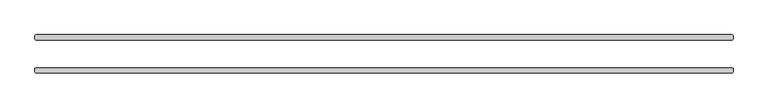
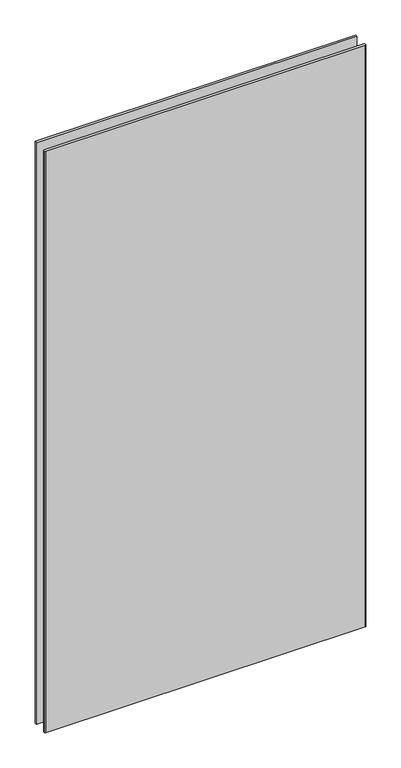
"""IFC4 building model written with IfcOpenShell, lengths in millimetres: plate geometry."""

from ifc_helpers import new_model, si_unit, origin, origin_with_axes, place, context, project, spatial, polyline, outline, extrude, source, transform, mapped, element, save


def plate_dfabde0b(model_context):
    return source(origin(), model_context, "Body", "SweptSolid", [
        extrude(outline(polyline([(632.61875, 25.4), (-632.61875, 25.4), (-634.20625, 26.9875), (-634.20625, 33.3375), (-632.61875, 34.925), (632.61875, 34.925), (634.20625, 33.3375), (634.20625, 26.9875), (632.61875, 25.4)])), origin_with_axes(), (0.0, 0.0, 1.0), 2428.7789267),
        extrude(outline(polyline([(632.61875, -34.925), (-632.61875, -34.925), (-634.20625, -33.3375), (-634.20625, -26.9875), (-632.61875, -25.4), (632.61875, -25.4), (634.20625, -26.9875), (634.20625, -33.3375), (632.61875, -34.925)])), origin_with_axes(), (0.0, 0.0, 1.0), 2428.7789267),
    ])


if __name__ == "__main__":
    model = new_model("IFC4")
    model_context = context("Model", 3, world=origin())
    ifc_project = project(units=[si_unit("LENGTHUNIT", "METRE", prefix="MILLI")], contexts=[model_context])
    site = spatial("IfcSite", under=ifc_project)
    building = spatial("IfcBuilding", under=site)
    placement = place(None, origin())
    plate_shape = plate_dfabde0b(model_context)
    element("IfcPlate", 1, at=placement, inside=building, context=model_context, shape_type="MappedRepresentation", body=[
        mapped(plate_shape, transform((0.0, 0.0, 0.0), x_axis=(1.0, 0.0, 0.0), y_axis=(0.0, 1.0, 0.0), z_axis=(0.0, 0.0, 1.0))),
    ])
    save(model, "model.ifc")
